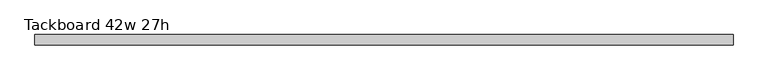
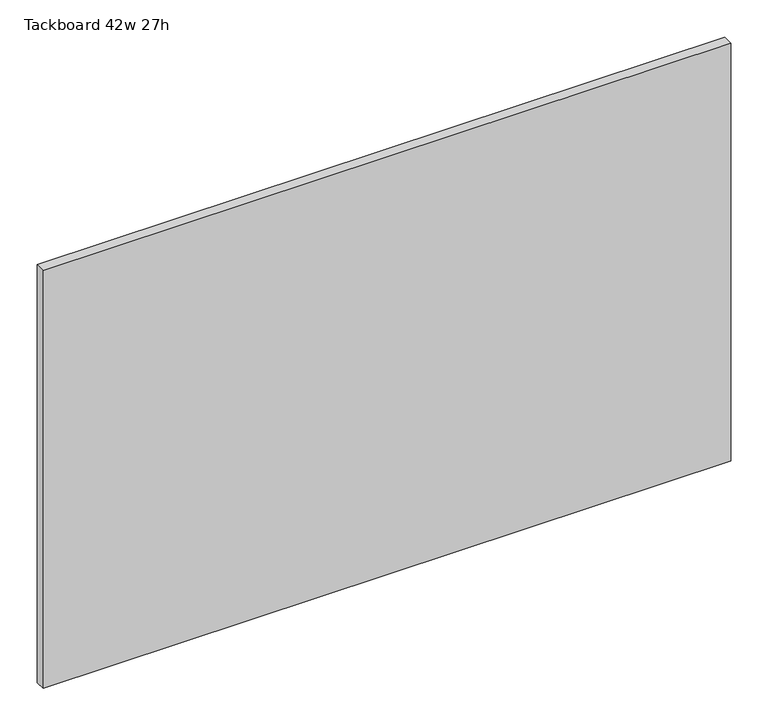
"""IFC4 building model written with IfcOpenShell, lengths in millimetres: furniture geometry, Tackboard 42w 27h."""

from ifc_helpers import new_model, si_unit, frame, origin, place, context, project, spatial, polyline, outline, extrude, source, transform, mapped, element, save


def tackboard_42w_27h_ec0f1b45(model_context):
    return source(origin(), model_context, "Body", "SweptSolid", [
        extrude(outline(polyline([(535.8402902, -28.8968594), (-530.9597098, -28.8968594), (-530.9597098, -13.0218594), (535.8402902, -13.0218594), (535.8402902, -28.8968594)])), frame((0.0, 0.0, 1066.8), z_axis=(0.0, 0.0, 1.0), x_axis=(1.0, 0.0, 0.0)), (0.0, 0.0, 1.0), 685.8),
    ])


if __name__ == "__main__":
    model = new_model("IFC4")
    model_context = context("Model", 3, world=origin())
    ifc_project = project(units=[si_unit("LENGTHUNIT", "METRE", prefix="MILLI")], contexts=[model_context])
    site = spatial("IfcSite", under=ifc_project)
    building = spatial("IfcBuilding", under=site)
    placement = place(None, origin())
    tackboard_42w_27h_shape = tackboard_42w_27h_ec0f1b45(model_context)
    element("IfcFurniture", 1, ObjectType="Tackboard 42w 27h", at=placement, inside=building, context=model_context, shape_type="MappedRepresentation", body=[
        mapped(tackboard_42w_27h_shape, transform((0.0, 0.0, 0.0), x_axis=(1.0, 0.0, 0.0), y_axis=(0.0, 1.0, 0.0), z_axis=(0.0, 0.0, 1.0))),
    ])
    save(model, "model.ifc")
